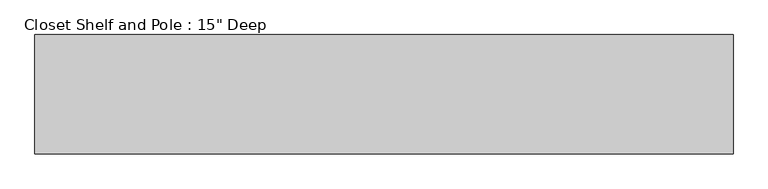
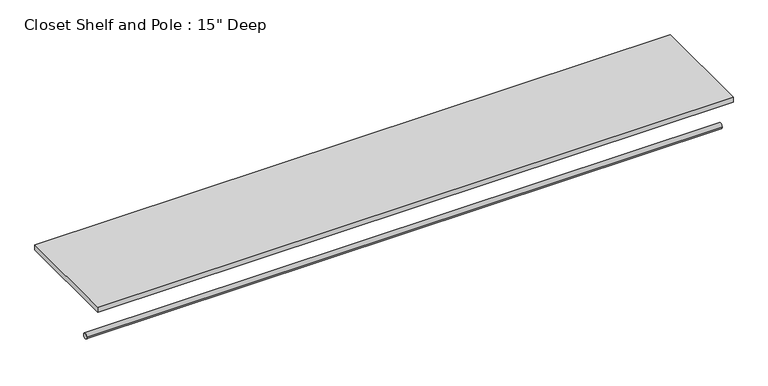
"""IFC4 building model written with IfcOpenShell, lengths in millimetres: proxy geometry."""

from ifc_helpers import new_model, si_unit, point, frame, frame_2d, origin, place, context, project, spatial, polyline, circle_curve, trimmed, segment, composite_curve, outline, extrude, source, transform, mapped, element, save


def proxy_259ddf41(model_context):
    return source(origin(), model_context, "Body", "SweptSolid", [
        extrude(outline(composite_curve([segment(trimmed(circle_curve(frame_2d((-304.8, 1676.4)), 9.525), [point((-314.325, 1676.4))], [point((-295.275, 1676.4))], False, "CARTESIAN"), True, "CONTINUOUS"), segment(trimmed(circle_curve(frame_2d((-304.8, 1676.4)), 9.525), [point((-295.275, 1676.4))], [point((-314.325, 1676.4))], False, "CARTESIAN"), True, "CONTINUOUS")], self_intersect=False)), frame((0.0, 0.0, 0.0), z_axis=(1.0, 0.0, 0.0), x_axis=(0.0, 1.0, 0.0)), (0.0, 0.0, 1.0), 2228.85),
        extrude(outline(polyline([(2228.85, 0.0), (2228.85, -381.0), (0.0, -381.0), (0.0, 0.0), (2228.85, 0.0)])), frame((0.0, 0.0, 1809.75), z_axis=(0.0, 0.0, 1.0), x_axis=(1.0, 0.0, 0.0)), (0.0, 0.0, 1.0), 19.05),
    ])


if __name__ == "__main__":
    model = new_model("IFC4")
    model_context = context("Model", 3, world=origin())
    ifc_project = project(units=[si_unit("LENGTHUNIT", "METRE", prefix="MILLI")], contexts=[model_context])
    site = spatial("IfcSite", under=ifc_project)
    building = spatial("IfcBuilding", under=site)
    placement = place(None, origin())
    proxy_shape = proxy_259ddf41(model_context)
    element("IfcBuildingElementProxy", 1, Name="Closet Shelf and Pole : 15\" Deep", ObjectType="Closet Shelf and Pole : 15\" Deep", at=placement, inside=building, context=model_context, shape_type="MappedRepresentation", body=[
        mapped(proxy_shape, transform((0.0, 0.0, 0.0), x_axis=(1.0, 0.0, 0.0), y_axis=(0.0, 1.0, 0.0), z_axis=(0.0, 0.0, 1.0))),
    ])
    save(model, "model.ifc")
